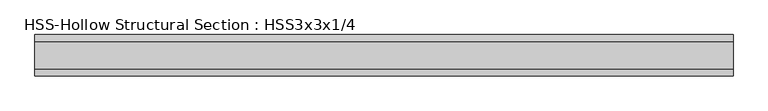
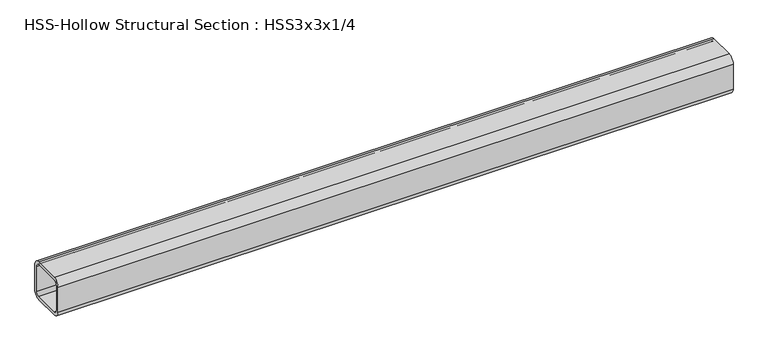
"""IFC4 building model written with IfcOpenShell, lengths in millimetres: beam geometry, HSS-Hollow Structural Section : HSS3x3x1/4."""

from ifc_helpers import new_model, si_unit, point, frame, frame_2d, origin, place, context, project, spatial, polyline, circle_curve, trimmed, segment, composite_curve, outline, extrude, source, transform, mapped, element, save


def hss_hollow_structural_section_hss3x3x1_4_d9b8eec7(model_context):
    return source(origin(), model_context, "Body", "SweptSolid", [
        extrude(outline(composite_curve([segment(polyline([(38.1, 25.4), (38.1, -25.4)]), True, "CONTINUOUS"), segment(trimmed(circle_curve(frame_2d((25.4, -25.4)), 12.7), [point((38.1, -25.4))], [point((25.4, -38.1))], False, "CARTESIAN"), True, "CONTINUOUS"), segment(polyline([(25.4, -38.1), (-25.4, -38.1)]), True, "CONTINUOUS"), segment(trimmed(circle_curve(frame_2d((-25.4, -25.4)), 12.7), [point((-25.4, -38.1))], [point((-38.1, -25.4))], False, "CARTESIAN"), True, "CONTINUOUS"), segment(polyline([(-38.1, -25.4), (-38.1, 25.4)]), True, "CONTINUOUS"), segment(trimmed(circle_curve(frame_2d((-25.4, 25.4)), 12.7), [point((-38.1, 25.4))], [point((-25.4, 38.1))], False, "CARTESIAN"), True, "CONTINUOUS"), segment(polyline([(-25.4, 38.1), (25.4, 38.1)]), True, "CONTINUOUS"), segment(trimmed(circle_curve(frame_2d((25.4, 25.4)), 12.7), [point((25.4, 38.1))], [point((38.1, 25.4))], False, "CARTESIAN"), True, "CONTINUOUS")], self_intersect=False), holes=[composite_curve([segment(trimmed(circle_curve(frame_2d((-25.4, 25.4)), 6.35), [point((-25.4, 31.75))], [point((-31.75, 25.4))], True, "CARTESIAN"), True, "CONTINUOUS"), segment(polyline([(-31.75, 25.4), (-31.75, -25.4)]), True, "CONTINUOUS"), segment(trimmed(circle_curve(frame_2d((-25.4, -25.4)), 6.35), [point((-31.75, -25.4))], [point((-25.4, -31.75))], True, "CARTESIAN"), True, "CONTINUOUS"), segment(polyline([(-25.4, -31.75), (25.4, -31.75)]), True, "CONTINUOUS"), segment(trimmed(circle_curve(frame_2d((25.4, -25.4)), 6.35), [point((25.4, -31.75))], [point((31.75, -25.4))], True, "CARTESIAN"), True, "CONTINUOUS"), segment(polyline([(31.75, -25.4), (31.75, 25.4)]), True, "CONTINUOUS"), segment(trimmed(circle_curve(frame_2d((25.4, 25.4)), 6.35), [point((31.75, 25.4))], [point((25.4, 31.75))], True, "CARTESIAN"), True, "CONTINUOUS"), segment(polyline([(25.4, 31.75), (-25.4, 31.75)]), True, "CONTINUOUS")], self_intersect=False)]), frame((-622.3, 0.0, 0.0), z_axis=(1.0, 0.0, 0.0), x_axis=(0.0, 1.0, 0.0)), (0.0, 0.0, 1.0), 1289.05),
    ])


if __name__ == "__main__":
    model = new_model("IFC4")
    model_context = context("Model", 3, world=origin())
    ifc_project = project(units=[si_unit("LENGTHUNIT", "METRE", prefix="MILLI")], contexts=[model_context])
    site = spatial("IfcSite", under=ifc_project)
    building = spatial("IfcBuilding", under=site)
    placement = place(None, origin())
    hss_hollow_structural_section_hss3x3x1_4_shape = hss_hollow_structural_section_hss3x3x1_4_d9b8eec7(model_context)
    element("IfcBeam", 1, ObjectType="HSS-Hollow Structural Section : HSS3x3x1/4", at=placement, inside=building, context=model_context, shape_type="MappedRepresentation", body=[
        mapped(hss_hollow_structural_section_hss3x3x1_4_shape, transform((0.0, 0.0, 0.0), x_axis=(1.0, 0.0, 0.0), y_axis=(0.0, 1.0, 0.0), z_axis=(0.0, 0.0, 1.0))),
    ])
    save(model, "model.ifc")
